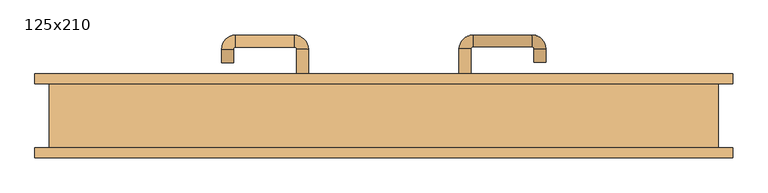
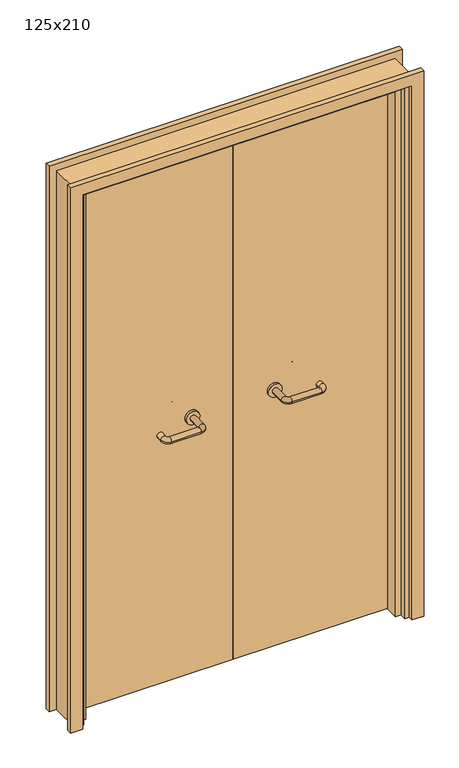
"""IFC4 building model written with IfcOpenShell, lengths in millimetres: door geometry, 125x210."""

import ifcopenshell
import ifcopenshell.guid

model = None  # the IFC model being written
_history = None  # IfcOwnerHistory: only IFC2X3 demands one
_inside = {}  # id of a spatial element -> (the spatial element, [elements in it])
_under = {}  # id of a project, library or spatial element -> (it, [spatial elements below it])
_declared = {}  # id of a project -> (the project, [libraries it declares])
_typed = {}  # id of a type object -> (the type object, [elements of that type])
_made_of = {}  # id of a material, layer set ... -> (it, [elements and type objects made of it])


def new_model(schema):
    """Start an empty IFC model of exactly this schema.

    Asked for "IFC4X3", IfcOpenShell would pick the latest addendum, in which some entities
    have other attributes; the version numbers below select the first issue.
    IFC2X3 requires an IfcOwnerHistory on every rooted entity: one is made here for all.
    """
    global model, _history
    if schema == "IFC4X3":
        model = ifcopenshell.file(schema_version=(4, 3, 0, 0))
    else:
        model = ifcopenshell.file(schema=schema)
    _inside.clear()
    _under.clear()
    _declared.clear()
    _typed.clear()
    _made_of.clear()
    _history = None
    if model.schema == "IFC2X3":
        org = make("IfcOrganization", Name="unknown")
        user = make(
            "IfcPersonAndOrganization",
            ThePerson=make("IfcPerson", FamilyName="unknown"),
            TheOrganization=org,
        )
        app = make(
            "IfcApplication",
            ApplicationDeveloper=org,
            Version="unknown",
            ApplicationFullName="unknown",
            ApplicationIdentifier="unknown",
        )
        _history = make(
            "IfcOwnerHistory",
            OwningUser=user,
            OwningApplication=app,
            ChangeAction="ADDED",
            CreationDate=0,
        )
    return model


def make(cls, **values):
    """One entity of the class cls with the attributes given. An attribute that is None is left unset."""
    return model.create_entity(
        cls, **{name: value for name, value in values.items() if value is not None}
    )


def rooted(cls, **values):
    """An entity with a GlobalId (a new one), such as an element, a storey or a relation."""
    return make(cls, GlobalId=ifcopenshell.guid.new(), OwnerHistory=_history, **values)


def si_unit(unit_type, name, prefix=None):
    """IfcSIUnit, for example si_unit("LENGTHUNIT", "METRE", prefix="MILLI")."""
    return make("IfcSIUnit", UnitType=unit_type, Prefix=prefix, Name=name)


def assignment(units):
    """IfcUnitAssignment: the units of a project."""
    return None if units is None else make("IfcUnitAssignment", Units=units)


def point(xyz):
    """IfcCartesianPoint."""
    return None if xyz is None else make("IfcCartesianPoint", Coordinates=xyz)


def direction(xyz):
    """IfcDirection."""
    return None if xyz is None else make("IfcDirection", DirectionRatios=xyz)


def frame(location, z_axis=None, x_axis=None):
    """IfcAxis2Placement3D, a coordinate frame: its origin and axes. An axis left out is left unset."""
    return make(
        "IfcAxis2Placement3D",
        Location=point(location),
        Axis=direction(z_axis),
        RefDirection=direction(x_axis),
    )


def frame_2d(location, x_axis=None):
    """IfcAxis2Placement2D, a coordinate frame in the plane: its origin and x axis."""
    return make(
        "IfcAxis2Placement2D", Location=point(location), RefDirection=direction(x_axis)
    )


def origin():
    """The frame at (0, 0, 0) with its axes left unset."""
    return frame((0.0, 0.0, 0.0))


def place(relative_to, where):
    """IfcLocalPlacement: puts the frame where relative to a parent placement (None: the world)."""
    return make(
        "IfcLocalPlacement", PlacementRelTo=relative_to, RelativePlacement=where
    )


def context(
    kind, dimensions, precision=None, world=None, true_north=None, identifier=None
):
    """IfcGeometricRepresentationContext, for example the 3D "Model" context."""
    return make(
        "IfcGeometricRepresentationContext",
        ContextIdentifier=identifier,
        ContextType=kind,
        CoordinateSpaceDimension=dimensions,
        Precision=precision,
        WorldCoordinateSystem=world,
        TrueNorth=true_north,
    )


def project(units=None, contexts=None):
    """IfcProject with its units and contexts."""
    return rooted(
        "IfcProject",
        Name="project",
        RepresentationContexts=contexts,
        UnitsInContext=assignment(units),
    )


def spatial(cls, under=None, at=None, **own):
    """A site, building, storey or space (cls), placed at a placement, below another one or the project."""
    s = rooted(cls, ObjectPlacement=at, **own)
    if under is not None:
        _under.setdefault(under.id(), (under, []))[1].append(s)
    return s


def polyline(points):
    """IfcPolyline through the points."""
    return make("IfcPolyline", Points=[point(p) for p in points])


def circle_curve(where, radius):
    """IfcCircle in the frame where."""
    return make("IfcCircle", Position=where, Radius=radius)


def ellipse_curve(where, semi_axis1, semi_axis2):
    """IfcEllipse in the frame where."""
    return make(
        "IfcEllipse", Position=where, SemiAxis1=semi_axis1, SemiAxis2=semi_axis2
    )


def trimmed(basis, trim1, trim2, sense, master):
    """IfcTrimmedCurve: the piece of a basis curve between two trims."""
    return make(
        "IfcTrimmedCurve",
        BasisCurve=basis,
        Trim1=trim1,
        Trim2=trim2,
        SenseAgreement=sense,
        MasterRepresentation=master,
    )


def segment(curve, same_sense, transition):
    """IfcCompositeCurveSegment."""
    return make(
        "IfcCompositeCurveSegment",
        Transition=transition,
        SameSense=same_sense,
        ParentCurve=curve,
    )


def composite_curve(segments, self_intersect=None):
    """IfcCompositeCurve: segments joined end to end."""
    return make("IfcCompositeCurve", Segments=segments, SelfIntersect=self_intersect)


def outline(outer, holes=None, kind="AREA"):
    """IfcArbitraryClosedProfileDef: a profile drawn as a closed curve; with holes, ...WithVoids."""
    if holes is None:
        return make("IfcArbitraryClosedProfileDef", ProfileType=kind, OuterCurve=outer)
    return make(
        "IfcArbitraryProfileDefWithVoids",
        ProfileType=kind,
        OuterCurve=outer,
        InnerCurves=holes,
    )


def extrude(swept, where, along, depth):
    """IfcExtrudedAreaSolid: the profile swept, set in the frame where, extruded along a direction by depth."""
    return make(
        "IfcExtrudedAreaSolid",
        SweptArea=swept,
        Position=where,
        ExtrudedDirection=direction(along),
        Depth=depth,
    )


def faces_of(points, faces, orient=None, outer=None):
    """IfcFace entities. A face is a list of loops; a loop is a list of indices into points, from 0.

    orient and outer hold one flag for each loop. By default every Orientation is true, the
    first loop of a face is its IfcFaceOuterBound and the others are IfcFaceBound.
    """
    made = []
    for i, loops in enumerate(faces):
        bounds = []
        for j, loop in enumerate(loops):
            is_outer = j == 0 if outer is None else outer[i][j]
            bounds.append(
                make(
                    "IfcFaceOuterBound" if is_outer else "IfcFaceBound",
                    Bound=make("IfcPolyLoop", Polygon=[points[k] for k in loop]),
                    Orientation=True if orient is None else orient[i][j],
                )
            )
        made.append(make("IfcFace", Bounds=bounds))
    return made


def faceted_brep(points, faces, orient=None, outer=None, voids=None):
    """IfcFacetedBrep: a solid bounded by flat faces; with voids (closed shells), ...WithVoids."""
    shared = [point(p) for p in points]
    hull = make("IfcClosedShell", CfsFaces=faces_of(shared, faces, orient, outer))
    if voids is None:
        return make("IfcFacetedBrep", Outer=hull)
    return make(
        "IfcFacetedBrepWithVoids",
        Outer=hull,
        Voids=[
            make(cls, CfsFaces=faces_of(shared, fs, o, b)) for cls, fs, o, b in voids
        ],
    )


def shape(context_of_items, identifier, shape_type, items):
    """IfcShapeRepresentation: the items that make up one representation, for example the "Body"."""
    return make(
        "IfcShapeRepresentation",
        ContextOfItems=context_of_items,
        RepresentationIdentifier=identifier,
        RepresentationType=shape_type,
        Items=items,
    )


def source(mapping_origin, context_of_items, identifier, shape_type, items):
    """IfcRepresentationMap: a shape defined once, which mapped items show again and again."""
    return make(
        "IfcRepresentationMap",
        MappingOrigin=mapping_origin,
        MappedRepresentation=shape(context_of_items, identifier, shape_type, items),
    )


def transform(
    local_origin,
    x_axis=None,
    y_axis=None,
    z_axis=None,
    scale=None,
    scale2=None,
    scale3=None,
    uniform=True,
):
    """IfcCartesianTransformationOperator3D, or its non-uniform kind. x_axis, y_axis, z_axis: its Axis1, 2, 3."""
    if uniform:
        return make(
            "IfcCartesianTransformationOperator3D",
            Axis1=direction(x_axis),
            Axis2=direction(y_axis),
            LocalOrigin=point(local_origin),
            Scale=scale,
            Axis3=direction(z_axis),
        )
    return make(
        "IfcCartesianTransformationOperator3DnonUniform",
        Axis1=direction(x_axis),
        Axis2=direction(y_axis),
        LocalOrigin=point(local_origin),
        Scale=scale,
        Axis3=direction(z_axis),
        Scale2=scale2,
        Scale3=scale3,
    )


def mapped(mapping_source, mapping_target):
    """IfcMappedItem: shows the shape of a source again, moved by a transform."""
    return make(
        "IfcMappedItem", MappingSource=mapping_source, MappingTarget=mapping_target
    )


def made_of(thing, what):
    """Note that an element or type object is made of a material, layer set ...; save() writes the relation."""
    if what is not None:
        _made_of.setdefault(what.id(), (what, []))[1].append(thing)
    return thing


def element(
    cls,
    number,
    at=None,
    inside=None,
    cuts=None,
    type_object=None,
    material=None,
    context=None,
    identifier="Body",
    shape_type=None,
    held_by="IfcProductDefinitionShape",
    body=None,
    shapes=None,
    **own,
):
    """One element of the class cls, such as IfcWall. Its Tag is "e" and its number.

    at: its placement. inside: the storey or other place that contains it. cuts: it is an
    opening in that element (IfcRelVoidsElement). A single representation is given by context,
    identifier, shape_type and body (its items); several are given by shapes. held_by: the class
    of the entity that holds the representations. save() writes the other relations.
    """
    e = rooted(cls, Tag="e%d" % number, ObjectPlacement=at, **own)
    if body is not None:
        shapes = [shape(context, identifier, shape_type, body)]
    if shapes is not None:
        e.Representation = make(held_by, Representations=shapes)
    if inside is not None:
        _inside.setdefault(inside.id(), (inside, []))[1].append(e)
    if cuts is not None:
        rooted(
            "IfcRelVoidsElement", RelatingBuildingElement=cuts, RelatedOpeningElement=e
        )
    if type_object is not None:
        _typed.setdefault(type_object.id(), (type_object, []))[1].append(e)
    return made_of(e, material)


def aggregate(whole, parts):
    """IfcRelAggregates: a whole, such as a stair, and the parts it consists of."""
    return rooted("IfcRelAggregates", RelatingObject=whole, RelatedObjects=parts)


def save(model, path):
    """Write the relations noted so far, then the file.

    IfcRelAggregates (storeys below a building ...), IfcRelContainedInSpatialStructure (elements
    in a storey), IfcRelDefinesByType, IfcRelAssociatesMaterial and IfcRelDeclares: one each for
    every whole, place, type object, material and project.
    """
    for whole, parts in _under.values():
        aggregate(whole, parts)
    for where, things in _inside.values():
        rooted(
            "IfcRelContainedInSpatialStructure",
            RelatedElements=things,
            RelatingStructure=where,
        )
    for kind, things in _typed.values():
        rooted("IfcRelDefinesByType", RelatedObjects=things, RelatingType=kind)
    for what, things in _made_of.values():
        rooted("IfcRelAssociatesMaterial", RelatedObjects=things, RelatingMaterial=what)
    for by, libraries in _declared.values():
        rooted("IfcRelDeclares", RelatingContext=by, RelatedDefinitions=libraries)
    model.write(path)


def plane_surface(at):
    """IfcPlane: the flat surface through the origin of the frame at, square to its z axis."""
    return make("IfcPlane", Position=at)


def cylinder_surface(at, radius):
    """IfcCylindricalSurface: all points at the distance radius from the z axis of the frame at."""
    return make("IfcCylindricalSurface", Position=at, Radius=radius)


def revolved_surface(curve, axis_point, axis_direction):
    """IfcSurfaceOfRevolution: the curve turned about the line through axis_point along axis_direction."""
    return make(
        "IfcSurfaceOfRevolution",
        SweptCurve=make("IfcArbitraryOpenProfileDef", ProfileType="CURVE", Curve=curve),
        AxisPosition=make("IfcAxis1Placement", Location=point(axis_point), Axis=direction(axis_direction)),
    )


def advanced_brep(points, edges, surfaces, faces):
    """IfcAdvancedBrep: a solid bounded by faces that lie on surfaces and meet in shared edges.

    An edge is (start, end): straight between two places in points (the first is 0);
    or (start, end, curve); or (start, end, curve, False) where it runs against its curve.
    A face is (place in surfaces, loops), or (place, loops, False) where it looks against
    its surface's normal. A loop lists edges by number (the first is 1), with a minus sign
    where the edge is run from its end to its start. The first loop is the outer one.
    """
    corners = [point(p) for p in points]
    vertices = [make("IfcVertexPoint", VertexGeometry=c) for c in corners]
    made = []
    for start, end, *more in edges:
        made.append(
            make(
                "IfcEdgeCurve",
                EdgeStart=vertices[start],
                EdgeEnd=vertices[end],
                EdgeGeometry=more[0] if more else make("IfcPolyline", Points=[corners[start], corners[end]]),
                SameSense=more[1] if len(more) > 1 else True,
            )
        )
    hull = []
    for where, loops, *sense in faces:
        bounds = []
        for j, loop in enumerate(loops):
            ring = [make("IfcOrientedEdge", EdgeElement=made[abs(k) - 1], Orientation=k > 0) for k in loop]
            bounds.append(
                make(
                    "IfcFaceOuterBound" if j == 0 else "IfcFaceBound",
                    Bound=make("IfcEdgeLoop", EdgeList=ring),
                    Orientation=True,
                )
            )
        hull.append(make("IfcAdvancedFace", Bounds=bounds, FaceSurface=surfaces[where], SameSense=sense[0] if sense else True))
    return make("IfcAdvancedBrep", Outer=make("IfcClosedShell", CfsFaces=hull))


def door_125x210_e17092b0(model_context):
    return source(origin(), model_context, "Body", "SolidModel", [
        faceted_brep([(-572.0, 13.0, 0.0), (-572.0, -35.0, 0.0), (-593.0, -35.0, 0.0), (-593.0, 13.0, 0.0), (-572.0, 13.0, 2047.0), (-572.0, -35.0, 2047.0), (-593.0, -35.0, 2068.0), (-593.0, 13.0, 2068.0), (572.0, 13.0, 0.0), (593.0, 13.0, 0.0), (593.0, -35.0, 0.0), (572.0, -35.0, 0.0), (572.0, 13.0, 2047.0), (593.0, 13.0, 2068.0), (593.0, -35.0, 2068.0), (572.0, -35.0, 2047.0)], [[[0, 1, 2, 3]], [[1, 0, 4, 5]], [[2, 1, 5, 6]], [[3, 2, 6, 7]], [[0, 3, 7, 4]], [[8, 9, 10, 11]], [[12, 13, 9, 8]], [[13, 14, 10, 9]], [[14, 15, 11, 10]], [[15, 12, 8, 11]], [[5, 4, 12, 15]], [[6, 5, 15, 14]], [[7, 6, 14, 13]], [[4, 7, 13, 12]]]),
        extrude(outline(polyline([(2127.0, 652.0), (2127.0, -652.0), (0.0, -652.0), (0.0, -608.0), (2083.0, -608.0), (2083.0, 608.0), (0.0, 608.0), (0.0, 652.0), (2127.0, 652.0)])), frame((0.0, 60.0, 0.0), z_axis=(0.0, 1.0, 0.0), x_axis=(0.0, 0.0, 1.0)), (0.0, 0.0, 1.0), 18.0),
        extrude(outline(polyline([(2127.0, -652.0), (0.0, -652.0), (0.0, -608.0), (2083.0, -608.0), (2083.0, 608.0), (0.0, 608.0), (0.0, 652.0), (2127.0, 652.0), (2127.0, -652.0)])), frame((0.0, -78.0, 0.0), z_axis=(0.0, 1.0, 0.0), x_axis=(0.0, 0.0, 1.0)), (0.0, 0.0, 1.0), 18.0),
        extrude(outline(polyline([(2100.0, -625.0), (0.0, -625.0), (0.0, -593.0), (2068.0, -593.0), (2068.0, 593.0), (0.0, 593.0), (0.0, 625.0), (2100.0, 625.0), (2100.0, -625.0)])), frame((0.0, -60.0, 0.0), z_axis=(0.0, 1.0, 0.0), x_axis=(0.0, 0.0, 1.0)), (0.0, 0.0, 1.0), 120.0),
        extrude(outline(polyline([(1.0739506, 16.0), (-590.0, 16.0), (-590.0, 60.0), (1.0739506, 60.0), (1.0739506, 16.0)])), frame((0.0, 0.0, 1.753223), z_axis=(0.0, 0.0, 1.0), x_axis=(1.0, 0.0, 0.0)), (0.0, 0.0, 1.0), 2057.246777),
        extrude(outline(polyline([(590.0, 16.0), (1.0739506, 16.0), (1.0739506, 60.0), (590.0, 60.0), (590.0, 16.0)])), frame((0.0, 0.0, 1.753223), z_axis=(0.0, 0.0, 1.0), x_axis=(1.0, 0.0, 0.0)), (0.0, 0.0, 1.0), 2066.246777),
        extrude(outline(polyline([(2100.0, -625.0), (0.0, -625.0), (0.0, -593.0), (2068.0, -593.0), (2068.0, 593.0), (0.0, 593.0), (0.0, 625.0), (2100.0, 625.0), (2100.0, -625.0)])), frame((0.0, -60.0, 0.0), z_axis=(0.0, 1.0, 0.0), x_axis=(0.0, 0.0, 1.0)), (0.0, 0.0, 1.0), 120.0),
        advanced_brep(
        [(140.99898, 6.0, 1003.0), (162.99898, 6.0, 1003.0), (140.99898, -49.3525369, 1003.0), (162.99898, -49.3525369, 1003.0), (166.99898, -53.3525369, 1003.0), (166.99898, -75.3525369, 1003.0), (276.99898, -75.3525369, 1003.0), (276.99898, -53.3525369, 1003.0), (280.99898, -49.3525369, 1003.0), (302.99898, -49.3525369, 1003.0), (302.99898, -32.0, 1003.0), (280.99898, -32.0, 1003.0)],
        [
            (0, 1, circle_curve(frame((151.99898, 6.0, 1003.0), z_axis=(0.0, 1.0, 0.0), x_axis=(1.0, 0.0, 0.0)), 11.0)),
            (1, 0, circle_curve(frame((151.99898, 6.0, 1003.0), z_axis=(0.0, 1.0, 0.0), x_axis=(1.0, 0.0, 0.0)), 11.0)),
            (0, 2),
            (2, 3, circle_curve(frame((151.99898, -49.3525369, 1003.0), z_axis=(0.0, 1.0, 0.0), x_axis=(1.0, 0.0, 0.0)), 11.0)),
            (3, 1),
            (3, 2, circle_curve(frame((151.99898, -49.3525369, 1003.0), z_axis=(0.0, 1.0, 0.0), x_axis=(1.0, 0.0, 0.0)), 11.0)),
            (4, 3, circle_curve(frame((166.99898, -49.3525369, 1003.0), z_axis=(0.0, 0.0, -1.0), x_axis=(-1.0, 0.0, 0.0)), 4.0)),
            (2, 5, circle_curve(frame((166.99898, -49.3525369, 1003.0), z_axis=(0.0, 0.0, 1.0), x_axis=(-1.0, 0.0, 0.0)), 26.0)),
            (5, 4, circle_curve(frame((166.99898, -64.3525369, 1003.0), z_axis=(-1.0, 0.0, 0.0), x_axis=(0.0, 1.0, 0.0)), 11.0)),
            (4, 5, circle_curve(frame((166.99898, -64.3525369, 1003.0), z_axis=(-1.0, 0.0, 0.0), x_axis=(0.0, 1.0, 0.0)), 11.0)),
            (5, 6),
            (6, 7, circle_curve(frame((276.99898, -64.3525369, 1003.0), z_axis=(-1.0, 0.0, 0.0), x_axis=(0.0, 1.0, 0.0)), 11.0)),
            (7, 4),
            (7, 6, circle_curve(frame((276.99898, -64.3525369, 1003.0), z_axis=(-1.0, 0.0, 0.0), x_axis=(0.0, 1.0, 0.0)), 11.0)),
            (8, 7, circle_curve(frame((276.99898, -49.3525369, 1003.0), z_axis=(0.0, 0.0, -1.0), x_axis=(0.0, -1.0, 0.0)), 4.0)),
            (6, 9, circle_curve(frame((276.99898, -49.3525369, 1003.0), z_axis=(0.0, 0.0, 1.0), x_axis=(0.0, -1.0, 0.0)), 26.0)),
            (9, 8, circle_curve(frame((291.99898, -49.3525369, 1003.0), z_axis=(0.0, -1.0, 0.0), x_axis=(-1.0, 0.0, 0.0)), 11.0)),
            (8, 9, circle_curve(frame((291.99898, -49.3525369, 1003.0), z_axis=(0.0, -1.0, 0.0), x_axis=(-1.0, 0.0, 0.0)), 11.0)),
            (10, 11, circle_curve(frame((291.99898, -32.0, 1003.0), z_axis=(0.0, 1.0, 0.0), x_axis=(-1.0, 0.0, 0.0)), 11.0)),
            (11, 10, circle_curve(frame((291.99898, -32.0, 1003.0), z_axis=(0.0, 1.0, 0.0), x_axis=(-1.0, 0.0, 0.0)), 11.0)),
            (9, 10),
            (11, 8),
        ],
        [
            plane_surface(frame((140.99898, 6.0, 1003.0), z_axis=(0.0, 1.0, 0.0), x_axis=(0.0, 0.0, -1.0))),
            cylinder_surface(frame((151.99898, 6.0, 1003.0), z_axis=(0.0, 1.0, 0.0), x_axis=(1.0, 0.0, 0.0)), 11.0),
            revolved_surface(trimmed(ellipse_curve(frame((151.99898, -49.3525369, 1003.0), z_axis=(0.0, 1.0, 0.0), x_axis=(1.0, 0.0, 0.0)), 11.0, 11.0), [point((140.99898, -49.3525369, 1003.0))], [point((162.99898, -49.3525369, 1003.0))], True, "CARTESIAN"), (166.99898, -49.3525369, 1003.0), (0.0, 0.0, 1.0)),
            revolved_surface(trimmed(ellipse_curve(frame((151.99898, -49.3525369, 1003.0), z_axis=(0.0, 1.0, 0.0), x_axis=(1.0, 0.0, 0.0)), 11.0, 11.0), [point((162.99898, -49.3525369, 1003.0))], [point((140.99898, -49.3525369, 1003.0))], True, "CARTESIAN"), (166.99898, -49.3525369, 1003.0), (0.0, 0.0, 1.0)),
            cylinder_surface(frame((166.99898, -64.3525369, 1003.0), z_axis=(-1.0, 0.0, 0.0), x_axis=(0.0, 1.0, 0.0)), 11.0),
            revolved_surface(trimmed(ellipse_curve(frame((276.99898, -64.3525369, 1003.0), z_axis=(-1.0, 0.0, 0.0), x_axis=(0.0, 1.0, 0.0)), 11.0, 11.0), [point((276.99898, -75.3525369, 1003.0))], [point((276.99898, -53.3525369, 1003.0))], True, "CARTESIAN"), (276.99898, -49.3525369, 1003.0), (0.0, 0.0, 1.0)),
            revolved_surface(trimmed(ellipse_curve(frame((276.99898, -64.3525369, 1003.0), z_axis=(-1.0, 0.0, 0.0), x_axis=(0.0, 1.0, 0.0)), 11.0, 11.0), [point((276.99898, -53.3525369, 1003.0))], [point((276.99898, -75.3525369, 1003.0))], True, "CARTESIAN"), (276.99898, -49.3525369, 1003.0), (0.0, 0.0, 1.0)),
            plane_surface(frame((280.99898, -32.0, 1003.0), z_axis=(0.0, 1.0, 0.0), x_axis=(0.0, 0.0, 1.0))),
            cylinder_surface(frame((291.99898, -49.3525369, 1003.0), z_axis=(0.0, -1.0, 0.0), x_axis=(-1.0, 0.0, 0.0)), 11.0),
        ],
        [
            (0, [[1, 2]]),
            (1, [[-1, 3, 4, 5]]),
            (1, [[-2, -5, 6, -3]]),
            (2, [[7, -4, 8, 9]]),
            (3, [[-8, -6, -7, 10]]),
            (4, [[-9, 11, 12, 13]]),
            (4, [[-10, -13, 14, -11]]),
            (5, [[15, -12, 16, 17]]),
            (6, [[-16, -14, -15, 18]]),
            (7, [[19, 20]]),
            (8, [[-17, 21, -20, 22]]),
            (8, [[-18, -22, -19, -21]]),
        ],
    ),
        extrude(outline(composite_curve([segment(trimmed(circle_curve(frame_2d((1003.0, 151.99898)), 25.0), [point((1003.0, 126.99898))], [point((1003.0, 176.99898))], False, "CARTESIAN"), True, "CONTINUOUS"), segment(trimmed(circle_curve(frame_2d((1003.0, 151.99898)), 25.0), [point((1003.0, 176.99898))], [point((1003.0, 126.99898))], False, "CARTESIAN"), True, "CONTINUOUS")], self_intersect=False)), frame((0.0, 6.0, 0.0), z_axis=(0.0, 1.0, 0.0), x_axis=(0.0, 0.0, 1.0)), (0.0, 0.0, 1.0), 10.0),
        advanced_brep(
        [(162.99898, 70.0, 1003.0), (140.99898, 70.0, 1003.0), (162.99898, 125.0, 1003.0), (140.99898, 125.0, 1003.0), (166.99898, 151.0, 1003.0), (166.99898, 129.0, 1003.0), (276.99898, 129.0, 1003.0), (276.99898, 151.0, 1003.0), (302.99898, 125.0, 1003.0), (280.99898, 125.0, 1003.0), (280.99898, 100.0, 1003.0), (302.99898, 100.0, 1003.0)],
        [
            (0, 1, circle_curve(frame((151.99898, 70.0, 1003.0), z_axis=(0.0, -1.0, 0.0), x_axis=(-1.0, 0.0, 0.0)), 11.0)),
            (1, 0, circle_curve(frame((151.99898, 70.0, 1003.0), z_axis=(0.0, -1.0, 0.0), x_axis=(-1.0, 0.0, 0.0)), 11.0)),
            (0, 2),
            (2, 3, circle_curve(frame((151.99898, 125.0, 1003.0), z_axis=(0.0, -1.0, 0.0), x_axis=(-1.0, 0.0, 0.0)), 11.0)),
            (3, 1),
            (3, 2, circle_curve(frame((151.99898, 125.0, 1003.0), z_axis=(0.0, -1.0, 0.0), x_axis=(-1.0, 0.0, 0.0)), 11.0)),
            (4, 3, circle_curve(frame((166.99898, 125.0, 1003.0), z_axis=(0.0, 0.0, 1.0), x_axis=(-1.0, 0.0, 0.0)), 26.0)),
            (2, 5, circle_curve(frame((166.99898, 125.0, 1003.0), z_axis=(0.0, 0.0, -1.0), x_axis=(-1.0, 0.0, 0.0)), 4.0)),
            (5, 4, circle_curve(frame((166.99898, 140.0, 1003.0), z_axis=(-1.0, 0.0, 0.0), x_axis=(0.0, 1.0, 0.0)), 11.0)),
            (4, 5, circle_curve(frame((166.99898, 140.0, 1003.0), z_axis=(-1.0, 0.0, 0.0), x_axis=(0.0, 1.0, 0.0)), 11.0)),
            (5, 6),
            (6, 7, circle_curve(frame((276.99898, 140.0, 1003.0), z_axis=(-1.0, 0.0, 0.0), x_axis=(0.0, 1.0, 0.0)), 11.0)),
            (7, 4),
            (7, 6, circle_curve(frame((276.99898, 140.0, 1003.0), z_axis=(-1.0, 0.0, 0.0), x_axis=(0.0, 1.0, 0.0)), 11.0)),
            (8, 7, circle_curve(frame((276.99898, 125.0, 1003.0), z_axis=(0.0, 0.0, 1.0), x_axis=(0.0, 1.0, 0.0)), 26.0)),
            (6, 9, circle_curve(frame((276.99898, 125.0, 1003.0), z_axis=(0.0, 0.0, -1.0), x_axis=(0.0, 1.0, 0.0)), 4.0)),
            (9, 8, circle_curve(frame((291.99898, 125.0, 1003.0), z_axis=(0.0, 1.0, 0.0), x_axis=(1.0, 0.0, 0.0)), 11.0)),
            (8, 9, circle_curve(frame((291.99898, 125.0, 1003.0), z_axis=(0.0, 1.0, 0.0), x_axis=(1.0, 0.0, 0.0)), 11.0)),
            (10, 11, circle_curve(frame((291.99898, 100.0, 1003.0), z_axis=(0.0, -1.0, 0.0), x_axis=(1.0, 0.0, 0.0)), 11.0)),
            (11, 10, circle_curve(frame((291.99898, 100.0, 1003.0), z_axis=(0.0, -1.0, 0.0), x_axis=(1.0, 0.0, 0.0)), 11.0)),
            (9, 10),
            (11, 8),
        ],
        [
            plane_surface(frame((140.99898, 70.0, 1003.0), z_axis=(0.0, -1.0, 0.0), x_axis=(0.0, 0.0, 1.0))),
            cylinder_surface(frame((151.99898, 70.0, 1003.0), z_axis=(0.0, -1.0, 0.0), x_axis=(-1.0, 0.0, 0.0)), 11.0),
            revolved_surface(trimmed(ellipse_curve(frame((151.99898, 125.0, 1003.0), z_axis=(0.0, -1.0, 0.0), x_axis=(-1.0, 0.0, 0.0)), 11.0, 11.0), [point((162.99898, 125.0, 1003.0))], [point((140.99898, 125.0, 1003.0))], True, "CARTESIAN"), (166.99898, 125.0, 1003.0), (0.0, 0.0, -1.0)),
            revolved_surface(trimmed(ellipse_curve(frame((151.99898, 125.0, 1003.0), z_axis=(0.0, -1.0, 0.0), x_axis=(-1.0, 0.0, 0.0)), 11.0, 11.0), [point((140.99898, 125.0, 1003.0))], [point((162.99898, 125.0, 1003.0))], True, "CARTESIAN"), (166.99898, 125.0, 1003.0), (0.0, 0.0, -1.0)),
            cylinder_surface(frame((166.99898, 140.0, 1003.0), z_axis=(-1.0, 0.0, 0.0), x_axis=(0.0, 1.0, 0.0)), 11.0),
            revolved_surface(trimmed(ellipse_curve(frame((276.99898, 140.0, 1003.0), z_axis=(-1.0, 0.0, 0.0), x_axis=(0.0, 1.0, 0.0)), 11.0, 11.0), [point((276.99898, 129.0, 1003.0))], [point((276.99898, 151.0, 1003.0))], True, "CARTESIAN"), (276.99898, 125.0, 1003.0), (0.0, 0.0, -1.0)),
            revolved_surface(trimmed(ellipse_curve(frame((276.99898, 140.0, 1003.0), z_axis=(-1.0, 0.0, 0.0), x_axis=(0.0, 1.0, 0.0)), 11.0, 11.0), [point((276.99898, 151.0, 1003.0))], [point((276.99898, 129.0, 1003.0))], True, "CARTESIAN"), (276.99898, 125.0, 1003.0), (0.0, 0.0, -1.0)),
            plane_surface(frame((280.99898, 100.0, 1003.0), z_axis=(0.0, -1.0, 0.0), x_axis=(0.0, 0.0, -1.0))),
            cylinder_surface(frame((291.99898, 125.0, 1003.0), z_axis=(0.0, 1.0, 0.0), x_axis=(1.0, 0.0, 0.0)), 11.0),
        ],
        [
            (0, [[1, 2]]),
            (1, [[-1, 3, 4, 5]]),
            (1, [[-2, -5, 6, -3]]),
            (2, [[7, -4, 8, 9]]),
            (3, [[-8, -6, -7, 10]]),
            (4, [[-9, 11, 12, 13]]),
            (4, [[-10, -13, 14, -11]]),
            (5, [[15, -12, 16, 17]]),
            (6, [[-16, -14, -15, 18]]),
            (7, [[19, 20]]),
            (8, [[-17, 21, -20, 22]]),
            (8, [[-18, -22, -19, -21]]),
        ],
    ),
        extrude(outline(composite_curve([segment(trimmed(circle_curve(frame_2d((1003.0, 151.99898)), 25.0), [point((1003.0, 176.99898))], [point((1003.0, 126.99898))], False, "CARTESIAN"), True, "CONTINUOUS"), segment(trimmed(circle_curve(frame_2d((1003.0, 151.99898)), 25.0), [point((1003.0, 126.99898))], [point((1003.0, 176.99898))], False, "CARTESIAN"), True, "CONTINUOUS")], self_intersect=False)), frame((0.0, 60.0, 0.0), z_axis=(0.0, 1.0, 0.0), x_axis=(0.0, 0.0, 1.0)), (0.0, 0.0, 1.0), 10.0),
        advanced_brep(
        [(-162.99898, 5.6886121, 1003.0), (-140.99898, 5.6886121, 1003.0), (-162.99898, -49.7220447, 1003.0), (-140.99898, -49.7220447, 1003.0), (-166.99898, -75.7220447, 1003.0), (-166.99898, -53.7220447, 1003.0), (-276.99898, -53.7220447, 1003.0), (-276.99898, -75.7220447, 1003.0), (-302.99898, -49.7220447, 1003.0), (-280.99898, -49.7220447, 1003.0), (-280.99898, -24.7220447, 1003.0), (-302.99898, -24.7220447, 1003.0)],
        [
            (0, 1, circle_curve(frame((-151.99898, 5.6886121, 1003.0), z_axis=(0.0, 1.0, 0.0), x_axis=(1.0, 0.0, 0.0)), 11.0)),
            (1, 0, circle_curve(frame((-151.99898, 5.6886121, 1003.0), z_axis=(0.0, 1.0, 0.0), x_axis=(1.0, 0.0, 0.0)), 11.0)),
            (0, 2),
            (2, 3, circle_curve(frame((-151.99898, -49.7220447, 1003.0), z_axis=(0.0, 1.0, 0.0), x_axis=(1.0, 0.0, 0.0)), 11.0)),
            (3, 1),
            (3, 2, circle_curve(frame((-151.99898, -49.7220447, 1003.0), z_axis=(0.0, 1.0, 0.0), x_axis=(1.0, 0.0, 0.0)), 11.0)),
            (4, 3, circle_curve(frame((-166.99898, -49.7220447, 1003.0), z_axis=(0.0, 0.0, 1.0), x_axis=(1.0, 0.0, 0.0)), 26.0)),
            (2, 5, circle_curve(frame((-166.99898, -49.7220447, 1003.0), z_axis=(0.0, 0.0, -1.0), x_axis=(1.0, 0.0, 0.0)), 4.0)),
            (5, 4, circle_curve(frame((-166.99898, -64.7220447, 1003.0), z_axis=(1.0, 0.0, 0.0), x_axis=(0.0, -1.0, 0.0)), 11.0)),
            (4, 5, circle_curve(frame((-166.99898, -64.7220447, 1003.0), z_axis=(1.0, 0.0, 0.0), x_axis=(0.0, -1.0, 0.0)), 11.0)),
            (5, 6),
            (6, 7, circle_curve(frame((-276.99898, -64.7220447, 1003.0), z_axis=(1.0, 0.0, 0.0), x_axis=(0.0, -1.0, 0.0)), 11.0)),
            (7, 4),
            (7, 6, circle_curve(frame((-276.99898, -64.7220447, 1003.0), z_axis=(1.0, 0.0, 0.0), x_axis=(0.0, -1.0, 0.0)), 11.0)),
            (8, 7, circle_curve(frame((-276.99898, -49.7220447, 1003.0), z_axis=(0.0, 0.0, 1.0), x_axis=(0.0, -1.0, 0.0)), 26.0)),
            (6, 9, circle_curve(frame((-276.99898, -49.7220447, 1003.0), z_axis=(0.0, 0.0, -1.0), x_axis=(0.0, -1.0, 0.0)), 4.0)),
            (9, 8, circle_curve(frame((-291.99898, -49.7220447, 1003.0), z_axis=(0.0, -1.0, 0.0), x_axis=(-1.0, 0.0, 0.0)), 11.0)),
            (8, 9, circle_curve(frame((-291.99898, -49.7220447, 1003.0), z_axis=(0.0, -1.0, 0.0), x_axis=(-1.0, 0.0, 0.0)), 11.0)),
            (10, 11, circle_curve(frame((-291.99898, -24.7220447, 1003.0), z_axis=(0.0, 1.0, 0.0), x_axis=(-1.0, 0.0, 0.0)), 11.0)),
            (11, 10, circle_curve(frame((-291.99898, -24.7220447, 1003.0), z_axis=(0.0, 1.0, 0.0), x_axis=(-1.0, 0.0, 0.0)), 11.0)),
            (9, 10),
            (11, 8),
        ],
        [
            plane_surface(frame((-162.99898, 5.6886121, 1003.0), z_axis=(0.0, 1.0, 0.0), x_axis=(0.0, 0.0, -1.0))),
            cylinder_surface(frame((-151.99898, 5.6886121, 1003.0), z_axis=(0.0, 1.0, 0.0), x_axis=(1.0, 0.0, 0.0)), 11.0),
            revolved_surface(trimmed(ellipse_curve(frame((-151.99898, -49.7220447, 1003.0), z_axis=(0.0, 1.0, 0.0), x_axis=(1.0, 0.0, 0.0)), 11.0, 11.0), [point((-162.99898, -49.7220447, 1003.0))], [point((-140.99898, -49.7220447, 1003.0))], True, "CARTESIAN"), (-166.99898, -49.7220447, 1003.0), (0.0, 0.0, -1.0)),
            revolved_surface(trimmed(ellipse_curve(frame((-151.99898, -49.7220447, 1003.0), z_axis=(0.0, 1.0, 0.0), x_axis=(1.0, 0.0, 0.0)), 11.0, 11.0), [point((-140.99898, -49.7220447, 1003.0))], [point((-162.99898, -49.7220447, 1003.0))], True, "CARTESIAN"), (-166.99898, -49.7220447, 1003.0), (0.0, 0.0, -1.0)),
            cylinder_surface(frame((-166.99898, -64.7220447, 1003.0), z_axis=(1.0, 0.0, 0.0), x_axis=(0.0, -1.0, 0.0)), 11.0),
            revolved_surface(trimmed(ellipse_curve(frame((-276.99898, -64.7220447, 1003.0), z_axis=(1.0, 0.0, 0.0), x_axis=(0.0, -1.0, 0.0)), 11.0, 11.0), [point((-276.99898, -53.7220447, 1003.0))], [point((-276.99898, -75.7220447, 1003.0))], True, "CARTESIAN"), (-276.99898, -49.7220447, 1003.0), (0.0, 0.0, -1.0)),
            revolved_surface(trimmed(ellipse_curve(frame((-276.99898, -64.7220447, 1003.0), z_axis=(1.0, 0.0, 0.0), x_axis=(0.0, -1.0, 0.0)), 11.0, 11.0), [point((-276.99898, -75.7220447, 1003.0))], [point((-276.99898, -53.7220447, 1003.0))], True, "CARTESIAN"), (-276.99898, -49.7220447, 1003.0), (0.0, 0.0, -1.0)),
            plane_surface(frame((-302.99898, -24.7220447, 1003.0), z_axis=(0.0, 1.0, 0.0), x_axis=(0.0, 0.0, 1.0))),
            cylinder_surface(frame((-291.99898, -49.7220447, 1003.0), z_axis=(0.0, -1.0, 0.0), x_axis=(-1.0, 0.0, 0.0)), 11.0),
        ],
        [
            (0, [[1, 2]]),
            (1, [[-1, 3, 4, 5]]),
            (1, [[-2, -5, 6, -3]]),
            (2, [[7, -4, 8, 9]]),
            (3, [[-8, -6, -7, 10]]),
            (4, [[-9, 11, 12, 13]]),
            (4, [[-10, -13, 14, -11]]),
            (5, [[15, -12, 16, 17]]),
            (6, [[-16, -14, -15, 18]]),
            (7, [[19, 20]]),
            (8, [[-17, 21, -20, 22]]),
            (8, [[-18, -22, -19, -21]]),
        ],
    ),
        extrude(outline(composite_curve([segment(trimmed(circle_curve(frame_2d((1003.0, -151.99898)), 25.0), [point((1003.0, -176.99898))], [point((1003.0, -126.99898))], False, "CARTESIAN"), True, "CONTINUOUS"), segment(trimmed(circle_curve(frame_2d((1003.0, -151.99898)), 25.0), [point((1003.0, -126.99898))], [point((1003.0, -176.99898))], False, "CARTESIAN"), True, "CONTINUOUS")], self_intersect=False)), frame((0.0, 5.6886121, 0.0), z_axis=(0.0, 1.0, 0.0), x_axis=(0.0, 0.0, 1.0)), (0.0, 0.0, 1.0), 10.3113879),
        advanced_brep(
        [(-140.99898, 69.5143417, 1003.0), (-162.99898, 69.5143417, 1003.0), (-140.99898, 124.6104656, 1003.0), (-162.99898, 124.6104656, 1003.0), (-166.99898, 128.6104656, 1003.0), (-166.99898, 150.6104656, 1003.0), (-276.99898, 150.6104656, 1003.0), (-276.99898, 128.6104656, 1003.0), (-280.99898, 124.6104656, 1003.0), (-302.99898, 124.6104656, 1003.0), (-302.99898, 99.6104656, 1003.0), (-280.99898, 99.6104656, 1003.0)],
        [
            (0, 1, circle_curve(frame((-151.99898, 69.5143417, 1003.0), z_axis=(0.0, -1.0, 0.0), x_axis=(-1.0, 0.0, 0.0)), 11.0)),
            (1, 0, circle_curve(frame((-151.99898, 69.5143417, 1003.0), z_axis=(0.0, -1.0, 0.0), x_axis=(-1.0, 0.0, 0.0)), 11.0)),
            (0, 2),
            (2, 3, circle_curve(frame((-151.99898, 124.6104656, 1003.0), z_axis=(0.0, -1.0, 0.0), x_axis=(-1.0, 0.0, 0.0)), 11.0)),
            (3, 1),
            (3, 2, circle_curve(frame((-151.99898, 124.6104656, 1003.0), z_axis=(0.0, -1.0, 0.0), x_axis=(-1.0, 0.0, 0.0)), 11.0)),
            (4, 3, circle_curve(frame((-166.99898, 124.6104656, 1003.0), z_axis=(0.0, 0.0, -1.0), x_axis=(1.0, 0.0, 0.0)), 4.0)),
            (2, 5, circle_curve(frame((-166.99898, 124.6104656, 1003.0), z_axis=(0.0, 0.0, 1.0), x_axis=(1.0, 0.0, 0.0)), 26.0)),
            (5, 4, circle_curve(frame((-166.99898, 139.6104656, 1003.0), z_axis=(1.0, 0.0, 0.0), x_axis=(0.0, -1.0, 0.0)), 11.0)),
            (4, 5, circle_curve(frame((-166.99898, 139.6104656, 1003.0), z_axis=(1.0, 0.0, 0.0), x_axis=(0.0, -1.0, 0.0)), 11.0)),
            (5, 6),
            (6, 7, circle_curve(frame((-276.99898, 139.6104656, 1003.0), z_axis=(1.0, 0.0, 0.0), x_axis=(0.0, -1.0, 0.0)), 11.0)),
            (7, 4),
            (7, 6, circle_curve(frame((-276.99898, 139.6104656, 1003.0), z_axis=(1.0, 0.0, 0.0), x_axis=(0.0, -1.0, 0.0)), 11.0)),
            (8, 7, circle_curve(frame((-276.99898, 124.6104656, 1003.0), z_axis=(0.0, 0.0, -1.0), x_axis=(0.0, 1.0, 0.0)), 4.0)),
            (6, 9, circle_curve(frame((-276.99898, 124.6104656, 1003.0), z_axis=(0.0, 0.0, 1.0), x_axis=(0.0, 1.0, 0.0)), 26.0)),
            (9, 8, circle_curve(frame((-291.99898, 124.6104656, 1003.0), z_axis=(0.0, 1.0, 0.0), x_axis=(1.0, 0.0, 0.0)), 11.0)),
            (8, 9, circle_curve(frame((-291.99898, 124.6104656, 1003.0), z_axis=(0.0, 1.0, 0.0), x_axis=(1.0, 0.0, 0.0)), 11.0)),
            (10, 11, circle_curve(frame((-291.99898, 99.6104656, 1003.0), z_axis=(0.0, -1.0, 0.0), x_axis=(1.0, 0.0, 0.0)), 11.0)),
            (11, 10, circle_curve(frame((-291.99898, 99.6104656, 1003.0), z_axis=(0.0, -1.0, 0.0), x_axis=(1.0, 0.0, 0.0)), 11.0)),
            (9, 10),
            (11, 8),
        ],
        [
            plane_surface(frame((-162.99898, 69.5143417, 1003.0), z_axis=(0.0, -1.0, 0.0), x_axis=(0.0, 0.0, 1.0))),
            cylinder_surface(frame((-151.99898, 69.5143417, 1003.0), z_axis=(0.0, -1.0, 0.0), x_axis=(-1.0, 0.0, 0.0)), 11.0),
            revolved_surface(trimmed(ellipse_curve(frame((-151.99898, 124.6104656, 1003.0), z_axis=(0.0, -1.0, 0.0), x_axis=(-1.0, 0.0, 0.0)), 11.0, 11.0), [point((-140.99898, 124.6104656, 1003.0))], [point((-162.99898, 124.6104656, 1003.0))], True, "CARTESIAN"), (-166.99898, 124.6104656, 1003.0), (0.0, 0.0, 1.0)),
            revolved_surface(trimmed(ellipse_curve(frame((-151.99898, 124.6104656, 1003.0), z_axis=(0.0, -1.0, 0.0), x_axis=(-1.0, 0.0, 0.0)), 11.0, 11.0), [point((-162.99898, 124.6104656, 1003.0))], [point((-140.99898, 124.6104656, 1003.0))], True, "CARTESIAN"), (-166.99898, 124.6104656, 1003.0), (0.0, 0.0, 1.0)),
            cylinder_surface(frame((-166.99898, 139.6104656, 1003.0), z_axis=(1.0, 0.0, 0.0), x_axis=(0.0, -1.0, 0.0)), 11.0),
            revolved_surface(trimmed(ellipse_curve(frame((-276.99898, 139.6104656, 1003.0), z_axis=(1.0, 0.0, 0.0), x_axis=(0.0, -1.0, 0.0)), 11.0, 11.0), [point((-276.99898, 150.6104656, 1003.0))], [point((-276.99898, 128.6104656, 1003.0))], True, "CARTESIAN"), (-276.99898, 124.6104656, 1003.0), (0.0, 0.0, 1.0)),
            revolved_surface(trimmed(ellipse_curve(frame((-276.99898, 139.6104656, 1003.0), z_axis=(1.0, 0.0, 0.0), x_axis=(0.0, -1.0, 0.0)), 11.0, 11.0), [point((-276.99898, 128.6104656, 1003.0))], [point((-276.99898, 150.6104656, 1003.0))], True, "CARTESIAN"), (-276.99898, 124.6104656, 1003.0), (0.0, 0.0, 1.0)),
            plane_surface(frame((-302.99898, 99.6104656, 1003.0), z_axis=(0.0, -1.0, 0.0), x_axis=(0.0, 0.0, -1.0))),
            cylinder_surface(frame((-291.99898, 124.6104656, 1003.0), z_axis=(0.0, 1.0, 0.0), x_axis=(1.0, 0.0, 0.0)), 11.0),
        ],
        [
            (0, [[1, 2]]),
            (1, [[-1, 3, 4, 5]]),
            (1, [[-2, -5, 6, -3]]),
            (2, [[7, -4, 8, 9]]),
            (3, [[-8, -6, -7, 10]]),
            (4, [[-9, 11, 12, 13]]),
            (4, [[-10, -13, 14, -11]]),
            (5, [[15, -12, 16, 17]]),
            (6, [[-16, -14, -15, 18]]),
            (7, [[19, 20]]),
            (8, [[-17, 21, -20, 22]]),
            (8, [[-18, -22, -19, -21]]),
        ],
    ),
        extrude(outline(composite_curve([segment(trimmed(circle_curve(frame_2d((1003.0, -151.99898)), 25.0), [point((1003.0, -126.99898))], [point((1003.0, -176.99898))], False, "CARTESIAN"), True, "CONTINUOUS"), segment(trimmed(circle_curve(frame_2d((1003.0, -151.99898)), 25.0), [point((1003.0, -176.99898))], [point((1003.0, -126.99898))], False, "CARTESIAN"), True, "CONTINUOUS")], self_intersect=False)), frame((0.0, 60.0, 0.0), z_axis=(0.0, 1.0, 0.0), x_axis=(0.0, 0.0, 1.0)), (0.0, 0.0, 1.0), 9.5143417),
    ])


if __name__ == "__main__":
    model = new_model("IFC4")
    model_context = context("Model", 3, world=origin())
    ifc_project = project(units=[si_unit("LENGTHUNIT", "METRE", prefix="MILLI")], contexts=[model_context])
    site = spatial("IfcSite", under=ifc_project)
    building = spatial("IfcBuilding", under=site)
    placement = place(None, origin())
    door_125x210_shape = door_125x210_e17092b0(model_context)
    element("IfcDoor", 1, ObjectType="125x210", at=placement, inside=building, context=model_context, shape_type="MappedRepresentation", body=[
        mapped(door_125x210_shape, transform((0.0, 0.0, 0.0), x_axis=(1.0, 0.0, 0.0), y_axis=(0.0, 1.0, 0.0), z_axis=(0.0, 0.0, 1.0))),
    ])
    save(model, "model.ifc")
